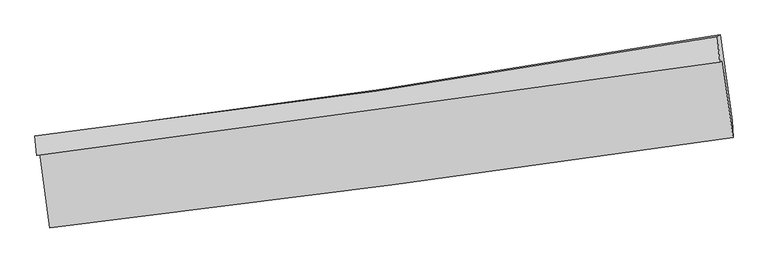
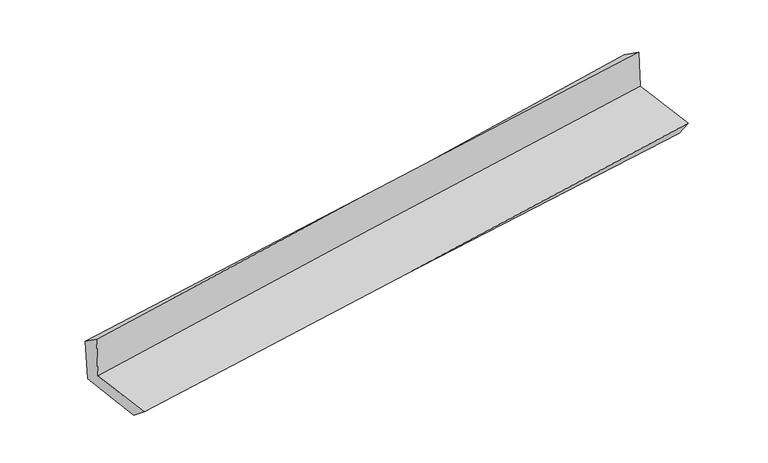
"""IFC4 building model written with IfcOpenShell, lengths in millimetres: proxy geometry."""

import ifcopenshell
import ifcopenshell.guid

model = None  # the IFC model being written
_history = None  # IfcOwnerHistory: only IFC2X3 demands one
_inside = {}  # id of a spatial element -> (the spatial element, [elements in it])
_under = {}  # id of a project, library or spatial element -> (it, [spatial elements below it])
_declared = {}  # id of a project -> (the project, [libraries it declares])
_typed = {}  # id of a type object -> (the type object, [elements of that type])
_made_of = {}  # id of a material, layer set ... -> (it, [elements and type objects made of it])


def new_model(schema):
    """Start an empty IFC model of exactly this schema.

    Asked for "IFC4X3", IfcOpenShell would pick the latest addendum, in which some entities
    have other attributes; the version numbers below select the first issue.
    IFC2X3 requires an IfcOwnerHistory on every rooted entity: one is made here for all.
    """
    global model, _history
    if schema == "IFC4X3":
        model = ifcopenshell.file(schema_version=(4, 3, 0, 0))
    else:
        model = ifcopenshell.file(schema=schema)
    _inside.clear()
    _under.clear()
    _declared.clear()
    _typed.clear()
    _made_of.clear()
    _history = None
    if model.schema == "IFC2X3":
        org = make("IfcOrganization", Name="unknown")
        user = make(
            "IfcPersonAndOrganization",
            ThePerson=make("IfcPerson", FamilyName="unknown"),
            TheOrganization=org,
        )
        app = make(
            "IfcApplication",
            ApplicationDeveloper=org,
            Version="unknown",
            ApplicationFullName="unknown",
            ApplicationIdentifier="unknown",
        )
        _history = make(
            "IfcOwnerHistory",
            OwningUser=user,
            OwningApplication=app,
            ChangeAction="ADDED",
            CreationDate=0,
        )
    return model


def make(cls, **values):
    """One entity of the class cls with the attributes given. An attribute that is None is left unset."""
    return model.create_entity(
        cls, **{name: value for name, value in values.items() if value is not None}
    )


def rooted(cls, **values):
    """An entity with a GlobalId (a new one), such as an element, a storey or a relation."""
    return make(cls, GlobalId=ifcopenshell.guid.new(), OwnerHistory=_history, **values)


def si_unit(unit_type, name, prefix=None):
    """IfcSIUnit, for example si_unit("LENGTHUNIT", "METRE", prefix="MILLI")."""
    return make("IfcSIUnit", UnitType=unit_type, Prefix=prefix, Name=name)


def assignment(units):
    """IfcUnitAssignment: the units of a project."""
    return None if units is None else make("IfcUnitAssignment", Units=units)


def point(xyz):
    """IfcCartesianPoint."""
    return None if xyz is None else make("IfcCartesianPoint", Coordinates=xyz)


def direction(xyz):
    """IfcDirection."""
    return None if xyz is None else make("IfcDirection", DirectionRatios=xyz)


def frame(location, z_axis=None, x_axis=None):
    """IfcAxis2Placement3D, a coordinate frame: its origin and axes. An axis left out is left unset."""
    return make(
        "IfcAxis2Placement3D",
        Location=point(location),
        Axis=direction(z_axis),
        RefDirection=direction(x_axis),
    )


def origin():
    """The frame at (0, 0, 0) with its axes left unset."""
    return frame((0.0, 0.0, 0.0))


def place(relative_to, where):
    """IfcLocalPlacement: puts the frame where relative to a parent placement (None: the world)."""
    return make(
        "IfcLocalPlacement", PlacementRelTo=relative_to, RelativePlacement=where
    )


def context(
    kind, dimensions, precision=None, world=None, true_north=None, identifier=None
):
    """IfcGeometricRepresentationContext, for example the 3D "Model" context."""
    return make(
        "IfcGeometricRepresentationContext",
        ContextIdentifier=identifier,
        ContextType=kind,
        CoordinateSpaceDimension=dimensions,
        Precision=precision,
        WorldCoordinateSystem=world,
        TrueNorth=true_north,
    )


def project(units=None, contexts=None):
    """IfcProject with its units and contexts."""
    return rooted(
        "IfcProject",
        Name="project",
        RepresentationContexts=contexts,
        UnitsInContext=assignment(units),
    )


def spatial(cls, under=None, at=None, **own):
    """A site, building, storey or space (cls), placed at a placement, below another one or the project."""
    s = rooted(cls, ObjectPlacement=at, **own)
    if under is not None:
        _under.setdefault(under.id(), (under, []))[1].append(s)
    return s


def shape(context_of_items, identifier, shape_type, items):
    """IfcShapeRepresentation: the items that make up one representation, for example the "Body"."""
    return make(
        "IfcShapeRepresentation",
        ContextOfItems=context_of_items,
        RepresentationIdentifier=identifier,
        RepresentationType=shape_type,
        Items=items,
    )


def source(mapping_origin, context_of_items, identifier, shape_type, items):
    """IfcRepresentationMap: a shape defined once, which mapped items show again and again."""
    return make(
        "IfcRepresentationMap",
        MappingOrigin=mapping_origin,
        MappedRepresentation=shape(context_of_items, identifier, shape_type, items),
    )


def transform(
    local_origin,
    x_axis=None,
    y_axis=None,
    z_axis=None,
    scale=None,
    scale2=None,
    scale3=None,
    uniform=True,
):
    """IfcCartesianTransformationOperator3D, or its non-uniform kind. x_axis, y_axis, z_axis: its Axis1, 2, 3."""
    if uniform:
        return make(
            "IfcCartesianTransformationOperator3D",
            Axis1=direction(x_axis),
            Axis2=direction(y_axis),
            LocalOrigin=point(local_origin),
            Scale=scale,
            Axis3=direction(z_axis),
        )
    return make(
        "IfcCartesianTransformationOperator3DnonUniform",
        Axis1=direction(x_axis),
        Axis2=direction(y_axis),
        LocalOrigin=point(local_origin),
        Scale=scale,
        Axis3=direction(z_axis),
        Scale2=scale2,
        Scale3=scale3,
    )


def mapped(mapping_source, mapping_target):
    """IfcMappedItem: shows the shape of a source again, moved by a transform."""
    return make(
        "IfcMappedItem", MappingSource=mapping_source, MappingTarget=mapping_target
    )


def made_of(thing, what):
    """Note that an element or type object is made of a material, layer set ...; save() writes the relation."""
    if what is not None:
        _made_of.setdefault(what.id(), (what, []))[1].append(thing)
    return thing


def element(
    cls,
    number,
    at=None,
    inside=None,
    cuts=None,
    type_object=None,
    material=None,
    context=None,
    identifier="Body",
    shape_type=None,
    held_by="IfcProductDefinitionShape",
    body=None,
    shapes=None,
    **own,
):
    """One element of the class cls, such as IfcWall. Its Tag is "e" and its number.

    at: its placement. inside: the storey or other place that contains it. cuts: it is an
    opening in that element (IfcRelVoidsElement). A single representation is given by context,
    identifier, shape_type and body (its items); several are given by shapes. held_by: the class
    of the entity that holds the representations. save() writes the other relations.
    """
    e = rooted(cls, Tag="e%d" % number, ObjectPlacement=at, **own)
    if body is not None:
        shapes = [shape(context, identifier, shape_type, body)]
    if shapes is not None:
        e.Representation = make(held_by, Representations=shapes)
    if inside is not None:
        _inside.setdefault(inside.id(), (inside, []))[1].append(e)
    if cuts is not None:
        rooted(
            "IfcRelVoidsElement", RelatingBuildingElement=cuts, RelatedOpeningElement=e
        )
    if type_object is not None:
        _typed.setdefault(type_object.id(), (type_object, []))[1].append(e)
    return made_of(e, material)


def aggregate(whole, parts):
    """IfcRelAggregates: a whole, such as a stair, and the parts it consists of."""
    return rooted("IfcRelAggregates", RelatingObject=whole, RelatedObjects=parts)


def save(model, path):
    """Write the relations noted so far, then the file.

    IfcRelAggregates (storeys below a building ...), IfcRelContainedInSpatialStructure (elements
    in a storey), IfcRelDefinesByType, IfcRelAssociatesMaterial and IfcRelDeclares: one each for
    every whole, place, type object, material and project.
    """
    for whole, parts in _under.values():
        aggregate(whole, parts)
    for where, things in _inside.values():
        rooted(
            "IfcRelContainedInSpatialStructure",
            RelatedElements=things,
            RelatingStructure=where,
        )
    for kind, things in _typed.values():
        rooted("IfcRelDefinesByType", RelatedObjects=things, RelatingType=kind)
    for what, things in _made_of.values():
        rooted("IfcRelAssociatesMaterial", RelatedObjects=things, RelatingMaterial=what)
    for by, libraries in _declared.values():
        rooted("IfcRelDeclares", RelatingContext=by, RelatedDefinitions=libraries)
    model.write(path)


def plane_surface(at):
    """IfcPlane: the flat surface through the origin of the frame at, square to its z axis."""
    return make("IfcPlane", Position=at)


def spline_curve(degree, points, multiplicities, knots, weights=None):
    """IfcBSplineCurveWithKnots; with weights, IfcRationalBSplineCurveWithKnots."""
    own = dict(
        Degree=degree,
        ControlPointsList=[point(p) for p in points],
        CurveForm="UNSPECIFIED",
        ClosedCurve=False,
        SelfIntersect=False,
        KnotMultiplicities=multiplicities,
        Knots=knots,
        KnotSpec="UNSPECIFIED",
    )
    if weights is None:
        return make("IfcBSplineCurveWithKnots", **own)
    return make("IfcRationalBSplineCurveWithKnots", WeightsData=weights, **own)


def spline_surface(u_degree, v_degree, points, u_multiplicities, v_multiplicities, u_knots, v_knots, weights=None):
    """IfcBSplineSurfaceWithKnots; with weights, IfcRationalBSplineSurfaceWithKnots. points: one row for each step in u."""
    own = dict(
        UDegree=u_degree,
        VDegree=v_degree,
        ControlPointsList=[[point(p) for p in row] for row in points],
        SurfaceForm="UNSPECIFIED",
        UClosed=False,
        VClosed=False,
        SelfIntersect=False,
        UMultiplicities=u_multiplicities,
        VMultiplicities=v_multiplicities,
        UKnots=u_knots,
        VKnots=v_knots,
        KnotSpec="UNSPECIFIED",
    )
    if weights is None:
        return make("IfcBSplineSurfaceWithKnots", **own)
    return make("IfcRationalBSplineSurfaceWithKnots", WeightsData=weights, **own)


def advanced_brep(points, edges, surfaces, faces):
    """IfcAdvancedBrep: a solid bounded by faces that lie on surfaces and meet in shared edges.

    An edge is (start, end): straight between two places in points (the first is 0);
    or (start, end, curve); or (start, end, curve, False) where it runs against its curve.
    A face is (place in surfaces, loops), or (place, loops, False) where it looks against
    its surface's normal. A loop lists edges by number (the first is 1), with a minus sign
    where the edge is run from its end to its start. The first loop is the outer one.
    """
    corners = [point(p) for p in points]
    vertices = [make("IfcVertexPoint", VertexGeometry=c) for c in corners]
    made = []
    for start, end, *more in edges:
        made.append(
            make(
                "IfcEdgeCurve",
                EdgeStart=vertices[start],
                EdgeEnd=vertices[end],
                EdgeGeometry=more[0] if more else make("IfcPolyline", Points=[corners[start], corners[end]]),
                SameSense=more[1] if len(more) > 1 else True,
            )
        )
    hull = []
    for where, loops, *sense in faces:
        bounds = []
        for j, loop in enumerate(loops):
            ring = [make("IfcOrientedEdge", EdgeElement=made[abs(k) - 1], Orientation=k > 0) for k in loop]
            bounds.append(
                make(
                    "IfcFaceOuterBound" if j == 0 else "IfcFaceBound",
                    Bound=make("IfcEdgeLoop", EdgeList=ring),
                    Orientation=True,
                )
            )
        hull.append(make("IfcAdvancedFace", Bounds=bounds, FaceSurface=surfaces[where], SameSense=sense[0] if sense else True))
    return make("IfcAdvancedBrep", Outer=make("IfcClosedShell", CfsFaces=hull))


def generic_models_ef4c4850(model_context):
    return source(origin(), model_context, "Body", "AdvancedBrep", [
        advanced_brep(
        [(-2999.385357, -1913.7349056, 1649.8048711), (-2909.3422018, -2565.6626343, 1628.7387053), (3045.7265929, -1777.3257608, 2150.6764514), (2953.3897946, -1103.9769236, 2172.4768906), (-3025.1367085, -1934.256349, 2064.2979331), (2929.4128283, -1119.5329879, 2551.400516), (-3039.8463772, -1764.4400213, 1942.7789074), (2909.7903312, -896.1570815, 2398.6493811), (-3011.876143, -1761.6553826, 1531.0660337), (2933.7672975, -880.6010172, 2019.7257556), (-2922.5675761, -2404.2136475, 1502.1768133), (3039.3355315, -1630.5077157, 1955.73129)],
        [
            (0, 1),
            (1, 2, spline_curve(3, [(-2909.3422018, -2565.6626343, 1628.7387053), (-1915.153561086, -2447.584881131, 1719.104348758), (-921.785322242, -2322.848609325, 1807.783517476), (1063.237488985, -2060.06867365, 1981.762518468), (2054.892181591, -1922.025987782, 2067.062598646), (3045.7265929, -1777.3257608, 2150.6764514)], [4, 2, 4], [0.0, 9.892148467016373, 19.783570760176374])),
            (2, 3),
            (3, 0, spline_curve(3, [(2953.3897946, -1103.9769236, 2172.4768906), (1961.009164731, -1240.663173654, 2093.821461118), (968.772457224, -1376.483685203, 2010.939498848), (-1015.485947823, -1646.403139634, 1836.716112725), (-2007.507624057, -1780.501955287, 1745.374068886), (-2999.385357, -1913.7349056, 1649.8048711)], [4, 2, 4], [0.0, 9.891422293160002, 19.783570760176374])),
            (4, 0),
            (3, 5),
            (5, 4, spline_curve(3, [(2929.4128283, -1119.5329879, 2551.400516), (1936.276314024, -1256.074024148, 2483.436347137), (943.513796053, -1392.235677719, 2408.864113348), (-1041.336104764, -1663.810186869, 2246.49755624), (-2033.42343194, -1799.222987199, 2158.702262357), (-3025.1367085, -1934.256349, 2064.2979331)], [4, 2, 4], [0.0, 9.891492864737415, 19.78371190851218])),
            (6, 4),
            (5, 7),
            (7, 6, spline_curve(3, [(2909.7903312, -896.1570815, 2398.6493811), (1922.44212495, -1069.780360699, 2318.931525749), (932.983239291, -1228.946786716, 2241.084717792), (-1050.228686679, -1518.376556066, 2089.127618285), (-2043.982037291, -1648.637776664, 2015.017601834), (-3039.8463772, -1764.4400213, 1942.7789074)], [4, 2, 4], [0.0, 9.89130010213232, 19.783326369150416])),
            (8, 6),
            (7, 9),
            (9, 8, spline_curve(3, [(2933.7672975, -880.6010172, 2019.7257556), (1946.640000709, -1051.520883065, 1931.464122057), (957.624321425, -1210.399760506, 1846.613031567), (-1024.256547955, -1504.086316725, 1683.725956516), (-2017.122015797, -1638.892228157, 1605.690473507), (-3011.876143, -1761.6553826, 1531.0660337)], [4, 2, 4], [0.0, 9.892641518755216, 19.786009300875644])),
            (10, 8),
            (9, 11),
            (11, 10, spline_curve(3, [(3039.3355315, -1630.5077157, 1955.73129), (2045.258860019, -1753.810045678, 1876.792539948), (1051.413493429, -1879.934234673, 1799.528284352), (-935.887576312, -2137.835797437, 1648.343212663), (-1929.343245433, -2269.613585938, 1574.422642779), (-2922.5675761, -2404.2136475, 1502.1768133)], [4, 2, 4], [0.0, 9.89057981930136, 19.78188575060929])),
            (1, 10),
            (11, 2),
        ],
        [
            spline_surface(3, 3, [[(-2999.385357, -1913.7349056, 1649.8048711), (-2007.507624027, -1780.501955329, 1745.374068793), (-1015.485947787, -1646.403139637, 1836.716112846), (968.772457188, -1376.483685201, 2010.939498727), (1961.009164864, -1240.663173524, 2093.821461211), (2953.3897946, -1103.9769236, 2172.4768906)], [(-2969.370971939, -2131.044148494, 1642.782815838), (-1976.722936341, -2002.862930575, 1736.617495491), (-984.252405938, -1871.88496282, 1827.071914377), (1000.260801085, -1604.345348071, 2001.213838661), (1992.30350384, -1467.784111623, 2084.90184038), (2984.168727385, -1328.426535991, 2165.210077542)], [(-2939.356586861, -2348.353391406, 1635.760760562), (-1945.938248638, -2225.22390584, 1727.860922175), (-953.018864038, -2097.366785991, 1817.427715896), (1031.749145034, -1832.20701093, 1991.488178582), (2023.597842761, -1694.90504975, 2075.982219522), (3014.947660115, -1552.876148409, 2157.943264458)], [(-2909.3422018, -2565.6626343, 1628.7387053), (-1915.153560951, -2447.584881087, 1719.104348873), (-921.785322189, -2322.848609175, 1807.783517427), (1063.237488931, -2060.0686738, 1981.762518516), (2054.892181737, -1922.02598785, 2067.062598691), (3045.7265929, -1777.3257608, 2150.6764514)]], [4, 4], [4, 2, 4], [0.0, 2.2542882473554435], [0.0, 9.892148467016373, 19.783570760176374]),
            spline_surface(3, 3, [[(-3025.1367085, -1934.256349, 2064.2979331), (-2033.423431976, -1799.222987314, 2158.702262255), (-1041.336104609, -1663.810187005, 2246.497556116), (943.513795898, -1392.235677583, 2408.864113473), (1936.276314148, -1256.074024223, 2483.436347215), (2929.4128283, -1119.5329879, 2551.400516)], [(-3016.552924665, -1927.415867862, 1926.133579103), (-2024.784829325, -1792.982643314, 2020.926197771), (-1032.719385653, -1658.007837887, 2109.903741699), (951.933349676, -1386.98501346, 2276.222575231), (1944.520597705, -1250.93707402, 2353.564718516), (2937.405150385, -1114.347633163, 2425.092640836)], [(-3007.969140835, -1920.575386738, 1787.969225097), (-2016.146226679, -1786.742299328, 1883.150133277), (-1024.102666743, -1652.205488755, 1973.309927262), (960.352903409, -1381.734349324, 2143.581036969), (1952.764881307, -1245.800123727, 2223.693089909), (2945.397472515, -1109.162278337, 2298.784765764)], [(-2999.385357, -1913.7349056, 1649.8048711), (-2007.507624027, -1780.501955329, 1745.374068793), (-1015.485947787, -1646.403139637, 1836.716112846), (968.772457188, -1376.483685201, 2010.939498727), (1961.009164864, -1240.663173524, 2093.821461211), (2953.3897946, -1103.9769236, 2172.4768906)]], [4, 4], [4, 2, 4], [0.0, 1.328742312171874], [0.0, 9.892219043774766, 19.78371190851218]),
            spline_surface(3, 3, [[(-3039.8463772, -1764.4400213, 1942.7789074), (-2043.982037239, -1648.637776698, 2015.017601873), (-1050.228686798, -1518.376556073, 2089.127618384), (932.983239411, -1228.946786708, 2241.084717693), (1922.442125111, -1069.780360737, 2318.931525732), (2909.7903312, -896.1570815, 2398.6493811)], [(-3034.943154296, -1821.045463882, 1983.285249303), (-2040.462502148, -1698.832846919, 2062.91248867), (-1047.264492744, -1566.854433058, 2141.584264305), (936.493424897, -1283.376417007, 2297.011182964), (1927.053521457, -1131.878248567, 2373.766466236), (2916.331163567, -970.615716968, 2449.566426076)], [(-3030.039931404, -1877.650906418, 2023.791591197), (-2036.942967068, -1749.027917093, 2110.807375458), (-1044.300298663, -1615.332310021, 2194.040910194), (940.003610411, -1337.806047284, 2352.937648202), (1931.664917802, -1193.976136394, 2428.601406711), (2922.871995933, -1045.074352432, 2500.483471024)], [(-3025.1367085, -1934.256349, 2064.2979331), (-2033.423431976, -1799.222987314, 2158.702262255), (-1041.336104609, -1663.810187005, 2246.497556116), (943.513795898, -1392.235677583, 2408.864113473), (1936.276314148, -1256.074024223, 2483.436347215), (2929.4128283, -1119.5329879, 2551.400516)]], [4, 4], [4, 2, 4], [0.0, 0.7361952370494549], [0.0, 9.892026267018096, 19.783326369150416]),
            spline_surface(3, 3, [[(-3011.876143, -1761.6553826, 1531.0660337), (-2017.122015724, -1638.892228185, 1605.690473391), (-1024.256548032, -1504.086316859, 1683.725956668), (957.624321502, -1210.399760372, 1846.613031415), (1946.640000683, -1051.520883209, 1931.464122114), (2933.7672975, -880.6010172, 2019.7257556)], [(-3021.199554401, -1762.583595484, 1668.30365825), (-2026.07535623, -1642.14074434, 1742.132849536), (-1032.913927629, -1508.84972993, 1818.85984389), (949.410627463, -1216.582102484, 1978.103593491), (1938.574042174, -1057.607375688, 2060.619923317), (2925.774975415, -885.786371937, 2146.033630764)], [(-3030.522965799, -1763.511808416, 1805.54128285), (-2035.028696734, -1645.389260544, 1878.575225729), (-1041.5713072, -1513.613143002, 1953.993731162), (941.19693345, -1222.764444597, 2109.594155617), (1930.508083621, -1063.693868257, 2189.775724529), (2917.782653285, -890.971726763, 2272.341505936)], [(-3039.8463772, -1764.4400213, 1942.7789074), (-2043.982037239, -1648.637776698, 2015.017601873), (-1050.228686798, -1518.376556073, 2089.127618384), (932.983239411, -1228.946786708, 2241.084717693), (1922.442125111, -1069.780360737, 2318.931525732), (2909.7903312, -896.1570815, 2398.6493811)]], [4, 4], [4, 2, 4], [0.0, 1.315856733236327], [0.0, 9.893367782120428, 19.786009300875644]),
            spline_surface(3, 3, [[(-2922.5675761, -2404.2136475, 1502.1768133), (-1929.343245542, -2269.613585799, 1574.422642819), (-935.887576361, -2137.835797517, 1648.343212789), (1051.413493478, -1879.934234593, 1799.528284226), (2045.258860147, -1753.810045616, 1876.792539829), (3039.3355315, -1630.5077157, 1955.73129)], [(-2952.337098395, -2190.027559214, 1511.806553445), (-1958.602835598, -2059.373133275, 1584.845253022), (-965.343900235, -1926.585970617, 1660.137460758), (1020.150436168, -1656.756076505, 1815.223199965), (2012.385906969, -1519.713658176, 1895.016400602), (3004.146120143, -1380.538816229, 1977.062778545)], [(-2982.106620705, -1975.841470886, 1521.436293555), (-1987.862425668, -1849.132680709, 1595.267863188), (-994.800224157, -1715.336143759, 1671.931708699), (988.887378811, -1433.577918459, 1830.918115676), (1979.512953861, -1285.617270648, 1913.240261341), (2968.956708857, -1130.569916671, 1998.394267055)], [(-3011.876143, -1761.6553826, 1531.0660337), (-2017.122015724, -1638.892228185, 1605.690473391), (-1024.256548032, -1504.086316859, 1683.725956668), (957.624321502, -1210.399760372, 1846.613031415), (1946.640000683, -1051.520883209, 1931.464122114), (2933.7672975, -880.6010172, 2019.7257556)]], [4, 4], [4, 2, 4], [0.0, 2.162944809952155], [0.0, 9.891305931307931, 19.78188575060929]),
            spline_surface(3, 3, [[(-2909.3422018, -2565.6626343, 1628.7387053), (-1915.153560951, -2447.584881087, 1719.104348873), (-921.785322189, -2322.848609175, 1807.783517427), (1063.237488931, -2060.0686738, 1981.762518516), (2054.892181737, -1922.02598785, 2067.062598691), (3045.7265929, -1777.3257608, 2150.6764514)], [(-2913.750659904, -2511.846305364, 1586.55140796), (-1919.883455819, -2388.261115989, 1670.877113515), (-926.486073576, -2261.177671955, 1754.636749199), (1059.296157117, -2000.02386073, 1921.017773738), (2051.681074546, -1865.954007084, 2003.639245741), (3043.596239105, -1728.386412412, 2085.694730937)], [(-2918.159117996, -2458.029976436, 1544.36411064), (-1924.613350675, -2328.937350897, 1622.649878177), (-931.186824974, -2199.506734738, 1701.489981017), (1055.354825292, -1939.979047663, 1860.273029004), (2048.469967339, -1809.882026381, 1940.215892779), (3041.465885295, -1679.447064088, 2020.713010463)], [(-2922.5675761, -2404.2136475, 1502.1768133), (-1929.343245542, -2269.613585799, 1574.422642819), (-935.887576361, -2137.835797517, 1648.343212789), (1051.413493478, -1879.934234593, 1799.528284226), (2045.258860147, -1753.810045616, 1876.792539829), (3039.3355315, -1630.5077157, 1955.73129)]], [4, 4], [4, 2, 4], [0.0, 0.8214316730062582], [0.0, 9.890827576613301, 19.780929076335624]),
            plane_surface(frame((2968.570396, -1234.6835811, 2208.1100475), z_axis=(0.9887264382092631, 0.1333819117831037, 0.0680389299967941), x_axis=(-0.06309727961930958, -0.04093701108051318, 0.9971674355034046))),
            plane_surface(frame((-2984.6923939, -2057.3271567, 1719.810544), z_axis=(-0.9885941198888664, -0.13434335648776166, -0.0680700278298755), x_axis=(-0.13674940374934363, 0.9900888968630018, 0.03199338811071905))),
        ],
        [
            (0, [[1, 2, 3, 4]]),
            (1, [[5, -4, 6, 7]]),
            (2, [[8, -7, 9, 10]]),
            (3, [[11, -10, 12, 13]]),
            (4, [[14, -13, 15, 16]]),
            (5, [[17, -16, 18, -2]]),
            (6, [[-12, -9, -6, -3, -18, -15]]),
            (7, [[-1, -5, -8, -11, -14, -17]]),
        ],
    ),
    ])


if __name__ == "__main__":
    model = new_model("IFC4")
    model_context = context("Model", 3, world=origin())
    ifc_project = project(units=[si_unit("LENGTHUNIT", "METRE", prefix="MILLI")], contexts=[model_context])
    site = spatial("IfcSite", under=ifc_project)
    building = spatial("IfcBuilding", under=site)
    placement = place(None, origin())
    generic_models_shape = generic_models_ef4c4850(model_context)
    element("IfcBuildingElementProxy", 1, Name="Generic Models", at=placement, inside=building, context=model_context, shape_type="MappedRepresentation", body=[
        mapped(generic_models_shape, transform((0.0, 0.0, 0.0), x_axis=(1.0, 0.0, 0.0), y_axis=(0.0, 1.0, 0.0), z_axis=(0.0, 0.0, 1.0))),
    ])
    save(model, "model.ifc")
